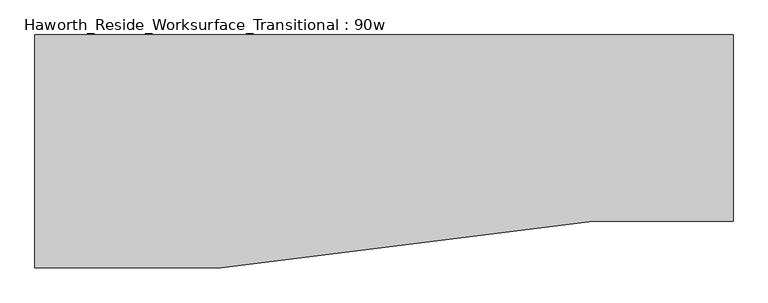
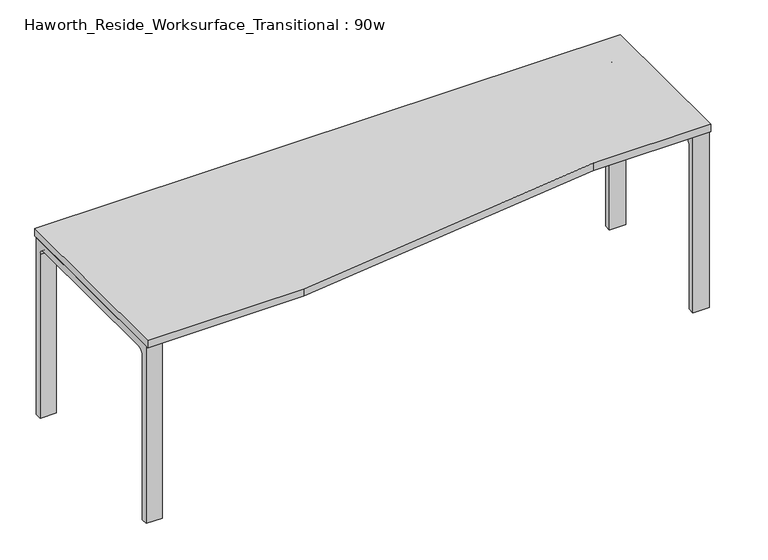
"""IFC4 building model written with IfcOpenShell, lengths in millimetres: furniture geometry, Haworth_Reside_Worksurface_Transitional : 90w."""

from ifc_helpers import new_model, si_unit, point, frame, frame_2d, origin, place, context, project, spatial, polyline, circle_curve, trimmed, segment, composite_curve, outline, extrude, source, transform, mapped, element, save


def haworth_reside_worksurface_transitional_90w_2ee72934(model_context):
    return source(origin(), model_context, "Body", "SweptSolid", [
        extrude(outline(composite_curve([segment(trimmed(circle_curve(frame_2d((396.875, 676.275)), 25.4), [point((422.275, 676.275))], [point((396.875, 701.675))], True, "CARTESIAN"), True, "CONTINUOUS"), segment(polyline([(396.875, 701.675), (-92.075, 701.675)]), True, "CONTINUOUS"), segment(trimmed(circle_curve(frame_2d((-92.075, 676.275)), 25.4), [point((-92.075, 701.675))], [point((-117.475, 676.275))], True, "CARTESIAN"), True, "CONTINUOUS"), segment(polyline([(-117.475, 676.275), (-117.475, 0.0), (-142.875, 0.0), (-142.875, 731.8375), (447.675, 731.8375), (447.675, 0.0), (422.275, 0.0), (422.275, 676.275)]), True, "CONTINUOUS")], self_intersect=False)), frame((1079.5, 0.0, 0.0), z_axis=(1.0, 0.0, 0.0), x_axis=(0.0, 1.0, 0.0)), (0.0, 0.0, 1.0), 63.5),
        extrude(outline(composite_curve([segment(trimmed(circle_curve(frame_2d((396.875, 676.275)), 25.4), [point((422.275, 676.275))], [point((396.875, 701.675))], True, "CARTESIAN"), True, "CONTINUOUS"), segment(polyline([(396.875, 701.675), (-244.475, 701.675)]), True, "CONTINUOUS"), segment(trimmed(circle_curve(frame_2d((-244.475, 676.275)), 25.4), [point((-244.475, 701.675))], [point((-269.875, 676.275))], True, "CARTESIAN"), True, "CONTINUOUS"), segment(polyline([(-269.875, 676.275), (-269.875, 0.0), (-295.275, 0.0), (-295.275, 731.8375), (447.675, 731.8375), (447.675, 0.0), (422.275, 0.0), (422.275, 676.275)]), True, "CONTINUOUS")], self_intersect=False)), frame((-1143.0, 0.0, 0.0), z_axis=(1.0, 0.0, 0.0), x_axis=(0.0, 1.0, 0.0)), (0.0, 0.0, 1.0), 63.5),
        extrude(outline(polyline([(-1143.0, 457.2), (1143.0, 457.2), (1143.0, -152.4), (685.8, -152.4), (-533.4, -304.8), (-1143.0, -304.8), (-1143.0, 457.2)])), frame((0.0, 0.0, 731.8375), z_axis=(0.0, 0.0, 1.0), x_axis=(1.0, 0.0, 0.0)), (0.0, 0.0, 1.0), 30.1625),
    ])


if __name__ == "__main__":
    model = new_model("IFC4")
    model_context = context("Model", 3, world=origin())
    ifc_project = project(units=[si_unit("LENGTHUNIT", "METRE", prefix="MILLI")], contexts=[model_context])
    site = spatial("IfcSite", under=ifc_project)
    building = spatial("IfcBuilding", under=site)
    placement = place(None, origin())
    haworth_reside_worksurface_transitional_90w_shape = haworth_reside_worksurface_transitional_90w_2ee72934(model_context)
    element("IfcFurniture", 1, ObjectType="Haworth_Reside_Worksurface_Transitional : 90w", at=placement, inside=building, context=model_context, shape_type="MappedRepresentation", body=[
        mapped(haworth_reside_worksurface_transitional_90w_shape, transform((0.0, 0.0, 0.0), x_axis=(1.0, 0.0, 0.0), y_axis=(0.0, 1.0, 0.0), z_axis=(0.0, 0.0, 1.0))),
    ])
    save(model, "model.ifc")
